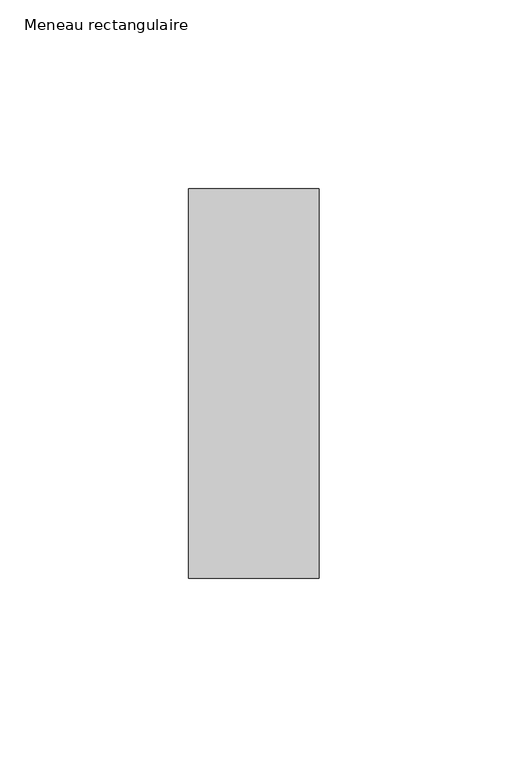
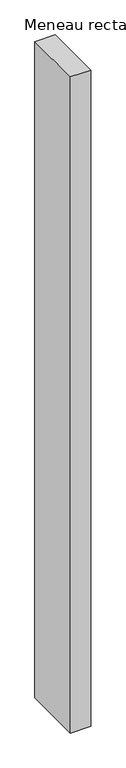
"""IFC4 building model written with IfcOpenShell, lengths in millimetres: member geometry, Meneau rectangulaire."""

import ifcopenshell
import ifcopenshell.guid

model = None  # the IFC model being written
_history = None  # IfcOwnerHistory: only IFC2X3 demands one
_inside = {}  # id of a spatial element -> (the spatial element, [elements in it])
_under = {}  # id of a project, library or spatial element -> (it, [spatial elements below it])
_declared = {}  # id of a project -> (the project, [libraries it declares])
_typed = {}  # id of a type object -> (the type object, [elements of that type])
_made_of = {}  # id of a material, layer set ... -> (it, [elements and type objects made of it])


def new_model(schema):
    """Start an empty IFC model of exactly this schema.

    Asked for "IFC4X3", IfcOpenShell would pick the latest addendum, in which some entities
    have other attributes; the version numbers below select the first issue.
    IFC2X3 requires an IfcOwnerHistory on every rooted entity: one is made here for all.
    """
    global model, _history
    if schema == "IFC4X3":
        model = ifcopenshell.file(schema_version=(4, 3, 0, 0))
    else:
        model = ifcopenshell.file(schema=schema)
    _inside.clear()
    _under.clear()
    _declared.clear()
    _typed.clear()
    _made_of.clear()
    _history = None
    if model.schema == "IFC2X3":
        org = make("IfcOrganization", Name="unknown")
        user = make(
            "IfcPersonAndOrganization",
            ThePerson=make("IfcPerson", FamilyName="unknown"),
            TheOrganization=org,
        )
        app = make(
            "IfcApplication",
            ApplicationDeveloper=org,
            Version="unknown",
            ApplicationFullName="unknown",
            ApplicationIdentifier="unknown",
        )
        _history = make(
            "IfcOwnerHistory",
            OwningUser=user,
            OwningApplication=app,
            ChangeAction="ADDED",
            CreationDate=0,
        )
    return model


def make(cls, **values):
    """One entity of the class cls with the attributes given. An attribute that is None is left unset."""
    return model.create_entity(
        cls, **{name: value for name, value in values.items() if value is not None}
    )


def rooted(cls, **values):
    """An entity with a GlobalId (a new one), such as an element, a storey or a relation."""
    return make(cls, GlobalId=ifcopenshell.guid.new(), OwnerHistory=_history, **values)


def si_unit(unit_type, name, prefix=None):
    """IfcSIUnit, for example si_unit("LENGTHUNIT", "METRE", prefix="MILLI")."""
    return make("IfcSIUnit", UnitType=unit_type, Prefix=prefix, Name=name)


def assignment(units):
    """IfcUnitAssignment: the units of a project."""
    return None if units is None else make("IfcUnitAssignment", Units=units)


def point(xyz):
    """IfcCartesianPoint."""
    return None if xyz is None else make("IfcCartesianPoint", Coordinates=xyz)


def direction(xyz):
    """IfcDirection."""
    return None if xyz is None else make("IfcDirection", DirectionRatios=xyz)


def frame(location, z_axis=None, x_axis=None):
    """IfcAxis2Placement3D, a coordinate frame: its origin and axes. An axis left out is left unset."""
    return make(
        "IfcAxis2Placement3D",
        Location=point(location),
        Axis=direction(z_axis),
        RefDirection=direction(x_axis),
    )


def origin():
    """The frame at (0, 0, 0) with its axes left unset."""
    return frame((0.0, 0.0, 0.0))


def place(relative_to, where):
    """IfcLocalPlacement: puts the frame where relative to a parent placement (None: the world)."""
    return make(
        "IfcLocalPlacement", PlacementRelTo=relative_to, RelativePlacement=where
    )


def context(
    kind, dimensions, precision=None, world=None, true_north=None, identifier=None
):
    """IfcGeometricRepresentationContext, for example the 3D "Model" context."""
    return make(
        "IfcGeometricRepresentationContext",
        ContextIdentifier=identifier,
        ContextType=kind,
        CoordinateSpaceDimension=dimensions,
        Precision=precision,
        WorldCoordinateSystem=world,
        TrueNorth=true_north,
    )


def project(units=None, contexts=None):
    """IfcProject with its units and contexts."""
    return rooted(
        "IfcProject",
        Name="project",
        RepresentationContexts=contexts,
        UnitsInContext=assignment(units),
    )


def spatial(cls, under=None, at=None, **own):
    """A site, building, storey or space (cls), placed at a placement, below another one or the project."""
    s = rooted(cls, ObjectPlacement=at, **own)
    if under is not None:
        _under.setdefault(under.id(), (under, []))[1].append(s)
    return s


def polyline(points):
    """IfcPolyline through the points."""
    return make("IfcPolyline", Points=[point(p) for p in points])


def outline(outer, holes=None, kind="AREA"):
    """IfcArbitraryClosedProfileDef: a profile drawn as a closed curve; with holes, ...WithVoids."""
    if holes is None:
        return make("IfcArbitraryClosedProfileDef", ProfileType=kind, OuterCurve=outer)
    return make(
        "IfcArbitraryProfileDefWithVoids",
        ProfileType=kind,
        OuterCurve=outer,
        InnerCurves=holes,
    )


def extrude(swept, where, along, depth):
    """IfcExtrudedAreaSolid: the profile swept, set in the frame where, extruded along a direction by depth."""
    return make(
        "IfcExtrudedAreaSolid",
        SweptArea=swept,
        Position=where,
        ExtrudedDirection=direction(along),
        Depth=depth,
    )


def shape(context_of_items, identifier, shape_type, items):
    """IfcShapeRepresentation: the items that make up one representation, for example the "Body"."""
    return make(
        "IfcShapeRepresentation",
        ContextOfItems=context_of_items,
        RepresentationIdentifier=identifier,
        RepresentationType=shape_type,
        Items=items,
    )


def source(mapping_origin, context_of_items, identifier, shape_type, items):
    """IfcRepresentationMap: a shape defined once, which mapped items show again and again."""
    return make(
        "IfcRepresentationMap",
        MappingOrigin=mapping_origin,
        MappedRepresentation=shape(context_of_items, identifier, shape_type, items),
    )


def transform(
    local_origin,
    x_axis=None,
    y_axis=None,
    z_axis=None,
    scale=None,
    scale2=None,
    scale3=None,
    uniform=True,
):
    """IfcCartesianTransformationOperator3D, or its non-uniform kind. x_axis, y_axis, z_axis: its Axis1, 2, 3."""
    if uniform:
        return make(
            "IfcCartesianTransformationOperator3D",
            Axis1=direction(x_axis),
            Axis2=direction(y_axis),
            LocalOrigin=point(local_origin),
            Scale=scale,
            Axis3=direction(z_axis),
        )
    return make(
        "IfcCartesianTransformationOperator3DnonUniform",
        Axis1=direction(x_axis),
        Axis2=direction(y_axis),
        LocalOrigin=point(local_origin),
        Scale=scale,
        Axis3=direction(z_axis),
        Scale2=scale2,
        Scale3=scale3,
    )


def mapped(mapping_source, mapping_target):
    """IfcMappedItem: shows the shape of a source again, moved by a transform."""
    return make(
        "IfcMappedItem", MappingSource=mapping_source, MappingTarget=mapping_target
    )


def made_of(thing, what):
    """Note that an element or type object is made of a material, layer set ...; save() writes the relation."""
    if what is not None:
        _made_of.setdefault(what.id(), (what, []))[1].append(thing)
    return thing


def element(
    cls,
    number,
    at=None,
    inside=None,
    cuts=None,
    type_object=None,
    material=None,
    context=None,
    identifier="Body",
    shape_type=None,
    held_by="IfcProductDefinitionShape",
    body=None,
    shapes=None,
    **own,
):
    """One element of the class cls, such as IfcWall. Its Tag is "e" and its number.

    at: its placement. inside: the storey or other place that contains it. cuts: it is an
    opening in that element (IfcRelVoidsElement). A single representation is given by context,
    identifier, shape_type and body (its items); several are given by shapes. held_by: the class
    of the entity that holds the representations. save() writes the other relations.
    """
    e = rooted(cls, Tag="e%d" % number, ObjectPlacement=at, **own)
    if body is not None:
        shapes = [shape(context, identifier, shape_type, body)]
    if shapes is not None:
        e.Representation = make(held_by, Representations=shapes)
    if inside is not None:
        _inside.setdefault(inside.id(), (inside, []))[1].append(e)
    if cuts is not None:
        rooted(
            "IfcRelVoidsElement", RelatingBuildingElement=cuts, RelatedOpeningElement=e
        )
    if type_object is not None:
        _typed.setdefault(type_object.id(), (type_object, []))[1].append(e)
    return made_of(e, material)


def aggregate(whole, parts):
    """IfcRelAggregates: a whole, such as a stair, and the parts it consists of."""
    return rooted("IfcRelAggregates", RelatingObject=whole, RelatedObjects=parts)


def save(model, path):
    """Write the relations noted so far, then the file.

    IfcRelAggregates (storeys below a building ...), IfcRelContainedInSpatialStructure (elements
    in a storey), IfcRelDefinesByType, IfcRelAssociatesMaterial and IfcRelDeclares: one each for
    every whole, place, type object, material and project.
    """
    for whole, parts in _under.values():
        aggregate(whole, parts)
    for where, things in _inside.values():
        rooted(
            "IfcRelContainedInSpatialStructure",
            RelatedElements=things,
            RelatingStructure=where,
        )
    for kind, things in _typed.values():
        rooted("IfcRelDefinesByType", RelatedObjects=things, RelatingType=kind)
    for what, things in _made_of.values():
        rooted("IfcRelAssociatesMaterial", RelatedObjects=things, RelatingMaterial=what)
    for by, libraries in _declared.values():
        rooted("IfcRelDeclares", RelatingContext=by, RelatedDefinitions=libraries)
    model.write(path)


def meneau_rectangulaire_40307d08(model_context):
    return source(origin(), model_context, "Body", "SweptSolid", [
        extrude(outline(polyline([(-34.5, 51.5), (0.0, 51.5), (0.0, -51.5), (-34.5, -51.5), (-34.5, 51.5)])), frame((0.0, 0.0, -1163.0714285), z_axis=(0.0, 0.0, 1.0), x_axis=(1.0, 0.0, 0.0)), (0.0, 0.0, 1.0), 1163.0714285),
    ])


if __name__ == "__main__":
    model = new_model("IFC4")
    model_context = context("Model", 3, world=origin())
    ifc_project = project(units=[si_unit("LENGTHUNIT", "METRE", prefix="MILLI")], contexts=[model_context])
    site = spatial("IfcSite", under=ifc_project)
    building = spatial("IfcBuilding", under=site)
    placement = place(None, origin())
    meneau_rectangulaire_shape = meneau_rectangulaire_40307d08(model_context)
    element("IfcMember", 1, ObjectType="Meneau rectangulaire", at=placement, inside=building, context=model_context, shape_type="MappedRepresentation", body=[
        mapped(meneau_rectangulaire_shape, transform((0.0, 0.0, 0.0), x_axis=(1.0, 0.0, 0.0), y_axis=(0.0, 1.0, 0.0), z_axis=(0.0, 0.0, 1.0))),
    ])
    save(model, "model.ifc")
